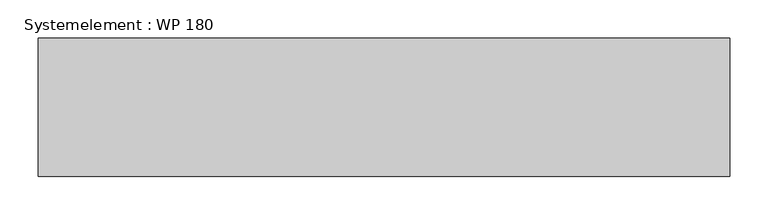
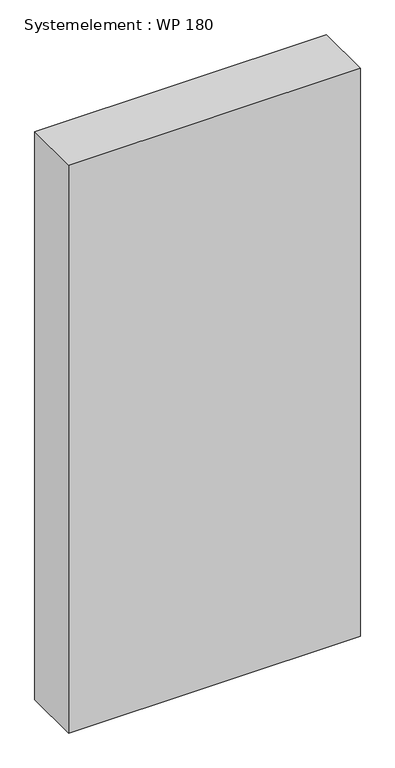
"""IFC4 building model written with IfcOpenShell, lengths in millimetres: plate geometry, Systemelement : WP 180."""

from ifc_helpers import new_model, si_unit, origin, origin_with_axes, place, context, project, spatial, polyline, outline, extrude, source, transform, mapped, element, save


def systemelement_wp_180_a7882191(model_context):
    return source(origin(), model_context, "Body", "SweptSolid", [
        extrude(outline(polyline([(450.0, -180.0), (-450.0, -180.0), (-450.0, 0.0), (450.0, 0.0), (450.0, -180.0)])), origin_with_axes(), (0.0, 0.0, 1.0), 1851.6147161),
    ])


if __name__ == "__main__":
    model = new_model("IFC4")
    model_context = context("Model", 3, world=origin())
    ifc_project = project(units=[si_unit("LENGTHUNIT", "METRE", prefix="MILLI")], contexts=[model_context])
    site = spatial("IfcSite", under=ifc_project)
    building = spatial("IfcBuilding", under=site)
    placement = place(None, origin())
    systemelement_wp_180_shape = systemelement_wp_180_a7882191(model_context)
    element("IfcPlate", 1, ObjectType="Systemelement : WP 180", at=placement, inside=building, context=model_context, shape_type="MappedRepresentation", body=[
        mapped(systemelement_wp_180_shape, transform((0.0, 0.0, 0.0), x_axis=(1.0, 0.0, 0.0), y_axis=(0.0, 1.0, 0.0), z_axis=(0.0, 0.0, 1.0))),
    ])
    save(model, "model.ifc")
